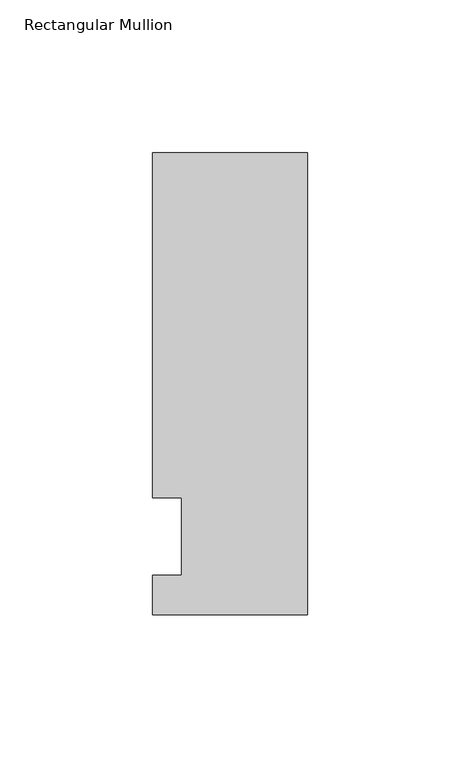
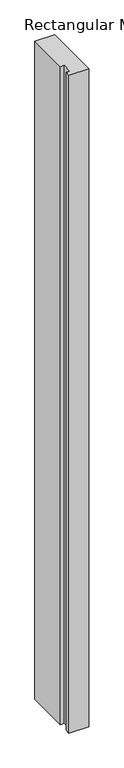
"""IFC4 building model written with IfcOpenShell, lengths in millimetres: member geometry, Rectangular Mullion."""

from ifc_helpers import new_model, si_unit, frame, origin, place, context, project, spatial, polyline, outline, extrude, source, transform, mapped, element, save


def rectangular_mullion_71042c33(model_context):
    return source(origin(), model_context, "Body", "SweptSolid", [
        extrude(outline(polyline([(-50.8, -25.5827379), (-50.8, -12.7), (-41.275, -12.7), (-41.275, 12.7), (-50.8, 12.7), (-50.8, 125.8533), (0.0, 125.8533), (0.0, -25.5827379), (-50.8, -25.5827379)])), frame((0.0, 0.0, -1786.4666667), z_axis=(0.0, 0.0, 1.0), x_axis=(1.0, 0.0, 0.0)), (0.0, 0.0, 1.0), 1786.4666667),
    ])


if __name__ == "__main__":
    model = new_model("IFC4")
    model_context = context("Model", 3, world=origin())
    ifc_project = project(units=[si_unit("LENGTHUNIT", "METRE", prefix="MILLI")], contexts=[model_context])
    site = spatial("IfcSite", under=ifc_project)
    building = spatial("IfcBuilding", under=site)
    placement = place(None, origin())
    rectangular_mullion_shape = rectangular_mullion_71042c33(model_context)
    element("IfcMember", 1, ObjectType="Rectangular Mullion", at=placement, inside=building, context=model_context, shape_type="MappedRepresentation", body=[
        mapped(rectangular_mullion_shape, transform((0.0, 0.0, 0.0), x_axis=(1.0, 0.0, 0.0), y_axis=(0.0, 1.0, 0.0), z_axis=(0.0, 0.0, 1.0))),
    ])
    save(model, "model.ifc")
